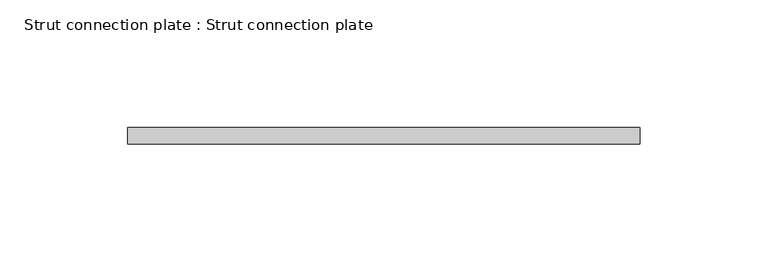
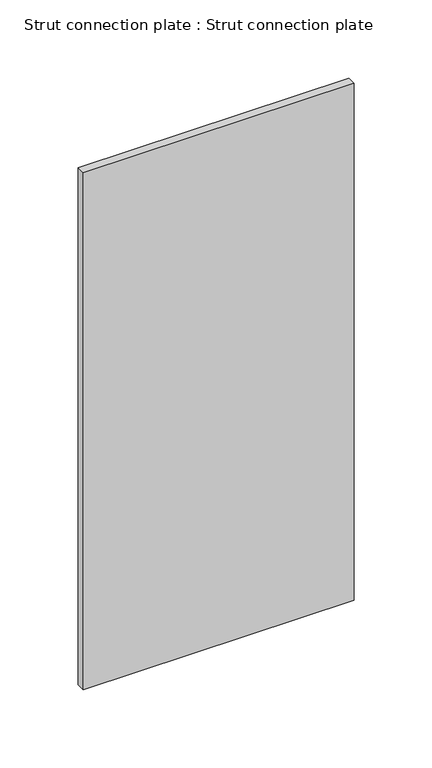
"""IFC4 building model written with IfcOpenShell, lengths in millimetres: proxy geometry, Strut connection plate : Strut connection plate."""

from ifc_helpers import new_model, si_unit, frame, origin, place, context, project, spatial, polyline, outline, extrude, source, transform, mapped, element, save


def strut_connection_plate_strut_connection_plate_abb5d126(model_context):
    return source(origin(), model_context, "Body", "SweptSolid", [
        extrude(outline(polyline([(227061.4159206, 155372.5596581), (226860.9720675, 155372.5596581), (226860.9720675, 155378.9096581), (227061.4159206, 155378.9096581), (227061.4159206, 155372.5596581)])), frame((0.0, 0.0, 956.5592564), z_axis=(0.0, 0.0, 1.0), x_axis=(1.0, 0.0, 0.0)), (0.0, 0.0, 1.0), 403.975764),
    ])


if __name__ == "__main__":
    model = new_model("IFC4")
    model_context = context("Model", 3, world=origin())
    ifc_project = project(units=[si_unit("LENGTHUNIT", "METRE", prefix="MILLI")], contexts=[model_context])
    site = spatial("IfcSite", under=ifc_project)
    building = spatial("IfcBuilding", under=site)
    placement = place(None, origin())
    strut_connection_plate_strut_connection_plate_shape = strut_connection_plate_strut_connection_plate_abb5d126(model_context)
    element("IfcBuildingElementProxy", 1, Name="Strut connection plate : Strut connection plate", ObjectType="Strut connection plate : Strut connection plate", at=placement, inside=building, context=model_context, shape_type="MappedRepresentation", body=[
        mapped(strut_connection_plate_strut_connection_plate_shape, transform((0.0, 0.0, 0.0), x_axis=(1.0, 0.0, 0.0), y_axis=(0.0, 1.0, 0.0), z_axis=(0.0, 0.0, 1.0))),
    ])
    save(model, "model.ifc")
